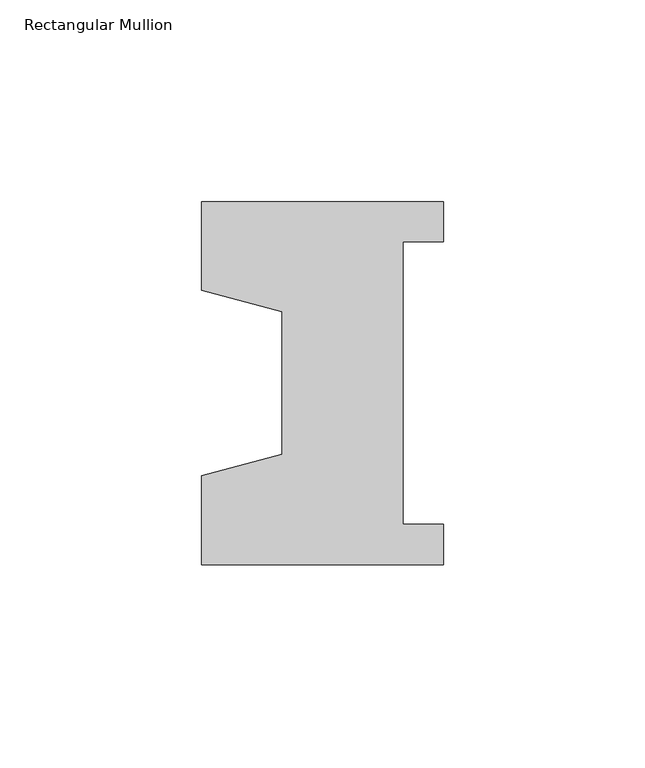
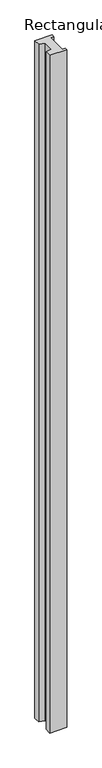
"""IFC4 building model written with IfcOpenShell, lengths in millimetres: member geometry, Rectangular Mullion."""

from ifc_helpers import new_model, si_unit, frame, origin, place, context, project, spatial, polyline, outline, extrude, source, transform, mapped, element, save


def rectangular_mullion_7e4c46a7(model_context):
    return source(origin(), model_context, "Body", "SweptSolid", [
        extrude(outline(polyline([(-60.0, 45.0), (0.0, 45.0), (0.0, 35.0), (-10.0, 35.0), (-10.0, -35.0), (0.0, -35.0), (0.0, -45.0), (-60.0, -45.0), (-60.0, -22.9993165), (-40.0, -17.6401049), (-40.0, 17.6401049), (-60.0, 22.9993165), (-60.0, 45.0)])), frame((0.0, 0.0, -2500.0), z_axis=(0.0, 0.0, 1.0), x_axis=(1.0, 0.0, 0.0)), (0.0, 0.0, 1.0), 2500.0),
    ])


if __name__ == "__main__":
    model = new_model("IFC4")
    model_context = context("Model", 3, world=origin())
    ifc_project = project(units=[si_unit("LENGTHUNIT", "METRE", prefix="MILLI")], contexts=[model_context])
    site = spatial("IfcSite", under=ifc_project)
    building = spatial("IfcBuilding", under=site)
    placement = place(None, origin())
    rectangular_mullion_shape = rectangular_mullion_7e4c46a7(model_context)
    element("IfcMember", 1, ObjectType="Rectangular Mullion", at=placement, inside=building, context=model_context, shape_type="MappedRepresentation", body=[
        mapped(rectangular_mullion_shape, transform((0.0, 0.0, 0.0), x_axis=(1.0, 0.0, 0.0), y_axis=(0.0, 1.0, 0.0), z_axis=(0.0, 0.0, 1.0))),
    ])
    save(model, "model.ifc")
